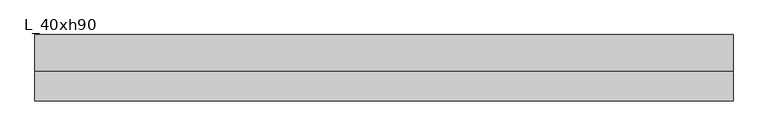
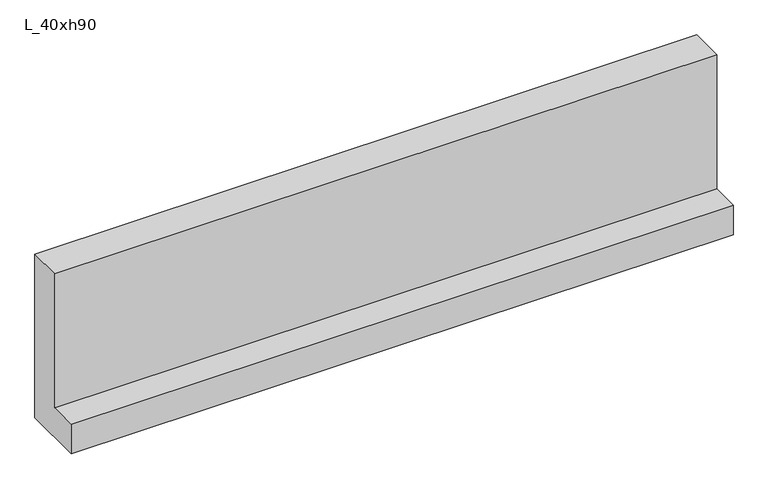
"""IFC4 building model written with IfcOpenShell, lengths in millimetres: beam geometry, L_40xh90."""

from ifc_helpers import new_model, si_unit, frame, origin, place, context, project, spatial, polyline, outline, extrude, source, transform, mapped, element, save


def l_40xh90_6daab718(model_context):
    return source(origin(), model_context, "Body", "SweptSolid", [
        extrude(outline(polyline([(115.0, -100.0), (-285.0, -100.0), (-285.0, 100.0), (-105.0, 100.0), (-105.0, 1000.0), (115.0, 1000.0), (115.0, -100.0)])), frame((-2102.5, 0.0, 0.0), z_axis=(1.0, 0.0, 0.0), x_axis=(0.0, 1.0, 0.0)), (0.0, 0.0, 1.0), 4205.0),
    ])


if __name__ == "__main__":
    model = new_model("IFC4")
    model_context = context("Model", 3, world=origin())
    ifc_project = project(units=[si_unit("LENGTHUNIT", "METRE", prefix="MILLI")], contexts=[model_context])
    site = spatial("IfcSite", under=ifc_project)
    building = spatial("IfcBuilding", under=site)
    placement = place(None, origin())
    l_40xh90_shape = l_40xh90_6daab718(model_context)
    element("IfcBeam", 1, ObjectType="L_40xh90", at=placement, inside=building, context=model_context, shape_type="MappedRepresentation", body=[
        mapped(l_40xh90_shape, transform((0.0, 0.0, 0.0), x_axis=(1.0, 0.0, 0.0), y_axis=(0.0, 1.0, 0.0), z_axis=(0.0, 0.0, 1.0))),
    ])
    save(model, "model.ifc")
